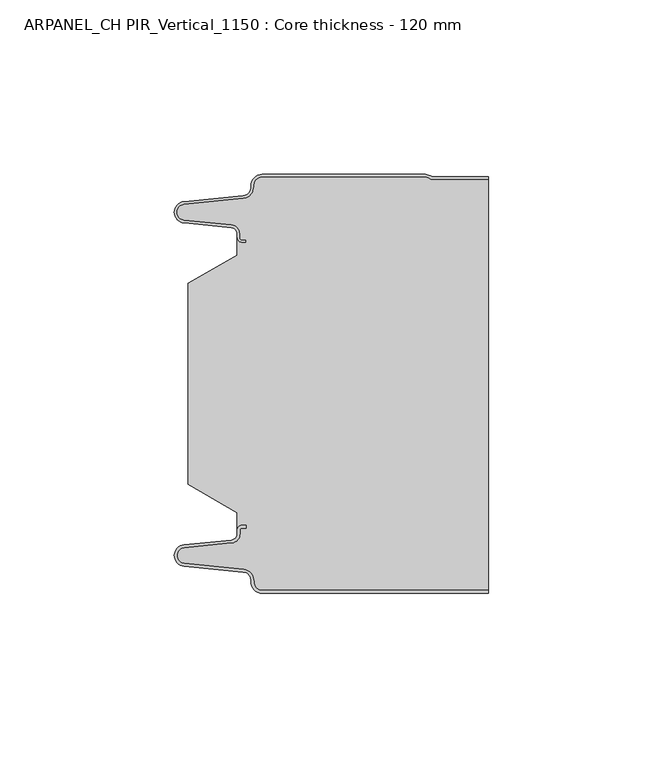
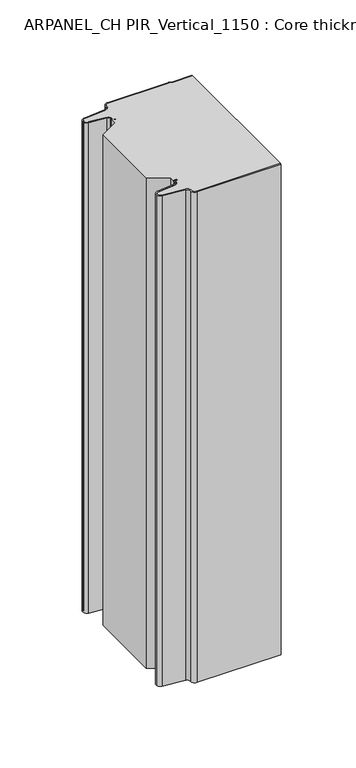
"""IFC4 building model written with IfcOpenShell, lengths in millimetres: plate geometry, ARPANEL_CH PIR_Vertical_1150 : Core thickness - 120 mm."""

from ifc_helpers import new_model, si_unit, frame, origin, place, context, project, spatial, polyline, circle_curve, source, transform, mapped, element, save
from ifc_brep_helpers import plane_surface, cylinder_surface, revolved_surface, advanced_brep


def arpanel_ch_pir_vertical_1150_core_thickness_120_mm_793c0258(model_context):
    return source(origin(), model_context, "Body", "AdvancedBrep", [
        advanced_brep(
        [(-19.8000003, -119.9996949, 0.0), (-22.9923632, -116.5787437, 0.0), (-25.2560431, -113.9171154, 0.0), (-42.2115315, -112.2546153, 0.0), (-44.9999998, -109.1776715, 0.0), (-42.2115315, -106.1007278, 0.0), (-28.6195785, -104.7680252, 0.0), (-26.9952277, -102.9766159, 0.0), (-26.9952277, -101.8996949, 0.0), (-25.5952277, -100.4996949, 0.0), (-24.4952277, -100.4996949, 0.0), (-24.4952277, -101.2996949, 0.0), (-25.5952277, -101.2996949, 0.0), (-26.1952277, -101.8996949, 0.0), (-26.1952277, -102.9766159, 0.0), (-28.5415122, -105.5642071, 0.0), (-42.1334652, -106.8969097, 0.0), (-44.1999997, -109.1776715, 0.0), (-42.1334652, -111.4584333, 0.0), (-25.1779767, -113.1209335, 0.0), (-22.2078761, -116.6330399, 0.0), (-19.8000003, -119.1996949, 0.0), (44.9999998, -119.2, 0.0), (44.9999998, -119.9996949, 0.0), (-19.8000003, -119.1996949, 400.0), (-22.1942724, -116.6339815, 400.0), (-25.1779767, -113.1209335, 400.0), (-42.1334652, -111.4584333, 400.0), (-44.1999997, -109.1776715, 400.0), (-42.1334652, -106.8969097, 400.0), (-28.5415122, -105.5642071, 400.0), (-26.1952277, -102.9766159, 400.0), (-26.1952277, -101.8996949, 400.0), (-25.5952277, -101.2996949, 400.0), (-24.4952277, -101.2996949, 400.0), (-24.4952277, -100.4996949, 400.0), (-25.5952277, -100.4996949, 400.0), (-26.9952277, -101.8996949, 400.0), (-26.9952277, -102.9766159, 400.0), (-28.6195785, -104.7680252, 400.0), (-42.2115315, -106.1007278, 400.0), (-44.9999998, -109.1776715, 400.0), (-42.2115315, -112.2546153, 400.0), (-25.2560431, -113.9171154, 400.0), (-23.0059668, -116.5778021, 400.0), (-19.8000003, -119.9996949, 400.0), (44.9999998, -119.9996949, 400.0), (44.9999998, -119.2, 400.0)],
        [
            (0, 1, circle_curve(frame((-19.8000003, -116.7996949, 0.0), z_axis=(0.0, 0.0, -1.0), x_axis=(1.0, 0.0, 0.0)), 3.2)),
            (1, 2, circle_curve(frame((-25.5000003, -116.4051839, 0.0), z_axis=(0.0, 0.0, 1.0), x_axis=(1.0, 0.0, 0.0)), 2.5)),
            (2, 3),
            (3, 4, circle_curve(frame((-41.9100003, -109.1793626, 0.0), z_axis=(0.0, 0.0, -1.0), x_axis=(1.0, 0.0, 0.0)), 3.09)),
            (4, 5, circle_curve(frame((-41.9100003, -109.1759805, 0.0), z_axis=(0.0, 0.0, -1.0), x_axis=(1.0, 0.0, 0.0)), 3.09)),
            (5, 6),
            (6, 7, circle_curve(frame((-28.7952277, -102.9766159, 0.0), z_axis=(0.0, 0.0, 1.0), x_axis=(1.0, 0.0, 0.0)), 1.8)),
            (7, 8),
            (8, 9, circle_curve(frame((-25.5952277, -101.8996949, 0.0), z_axis=(0.0, 0.0, -1.0), x_axis=(1.0, 0.0, 0.0)), 1.4)),
            (9, 10),
            (10, 11),
            (11, 12),
            (12, 13, circle_curve(frame((-25.5952277, -101.8996949, 0.0), z_axis=(0.0, 0.0, 1.0), x_axis=(1.0, 0.0, 0.0)), 0.6)),
            (13, 14),
            (14, 15, circle_curve(frame((-28.7952277, -102.9766159, 0.0), z_axis=(0.0, 0.0, -1.0), x_axis=(1.0, 0.0, 0.0)), 2.6)),
            (15, 16),
            (16, 17, circle_curve(frame((-41.9100003, -109.1759805, 0.0), z_axis=(0.0, 0.0, 1.0), x_axis=(1.0, 0.0, 0.0)), 2.29)),
            (17, 18, circle_curve(frame((-41.9100003, -109.1793626, 0.0), z_axis=(0.0, 0.0, 1.0), x_axis=(1.0, 0.0, 0.0)), 2.29)),
            (18, 19),
            (19, 20, circle_curve(frame((-25.5000003, -116.4051839, 0.0), z_axis=(0.0, 0.0, -1.0), x_axis=(1.0, 0.0, 0.0)), 3.3)),
            (20, 21, circle_curve(frame((-19.8000003, -116.7996949, 0.0), z_axis=(0.0, 0.0, 1.0), x_axis=(1.0, 0.0, 0.0)), 2.4)),
            (21, 22),
            (22, 23),
            (23, 0),
            (24, 25, circle_curve(frame((-19.8000003, -116.7996949, 400.0), z_axis=(0.0, 0.0, -1.0), x_axis=(1.0, 0.0, 0.0)), 2.4)),
            (25, 26, circle_curve(frame((-25.5000003, -116.4051839, 400.0), z_axis=(0.0, 0.0, 1.0), x_axis=(1.0, 0.0, 0.0)), 3.3)),
            (26, 27),
            (27, 28, circle_curve(frame((-41.9100003, -109.1793626, 400.0), z_axis=(0.0, 0.0, -1.0), x_axis=(1.0, 0.0, 0.0)), 2.29)),
            (28, 29, circle_curve(frame((-41.9100003, -109.1759805, 400.0), z_axis=(0.0, 0.0, -1.0), x_axis=(1.0, 0.0, 0.0)), 2.29)),
            (29, 30),
            (30, 31, circle_curve(frame((-28.7952277, -102.9766159, 400.0), z_axis=(0.0, 0.0, 1.0), x_axis=(1.0, 0.0, 0.0)), 2.6)),
            (31, 32),
            (32, 33, circle_curve(frame((-25.5952277, -101.8996949, 400.0), z_axis=(0.0, 0.0, -1.0), x_axis=(1.0, 0.0, 0.0)), 0.6)),
            (33, 34),
            (34, 35),
            (35, 36),
            (36, 37, circle_curve(frame((-25.5952277, -101.8996949, 400.0), z_axis=(0.0, 0.0, 1.0), x_axis=(1.0, 0.0, 0.0)), 1.4)),
            (37, 38),
            (38, 39, circle_curve(frame((-28.7952277, -102.9766159, 400.0), z_axis=(0.0, 0.0, -1.0), x_axis=(1.0, 0.0, 0.0)), 1.8)),
            (39, 40),
            (40, 41, circle_curve(frame((-41.9100003, -109.1759805, 400.0), z_axis=(0.0, 0.0, 1.0), x_axis=(1.0, 0.0, 0.0)), 3.09)),
            (41, 42, circle_curve(frame((-41.9100003, -109.1793626, 400.0), z_axis=(0.0, 0.0, 1.0), x_axis=(1.0, 0.0, 0.0)), 3.09)),
            (42, 43),
            (43, 44, circle_curve(frame((-25.5000003, -116.4051839, 400.0), z_axis=(0.0, 0.0, -1.0), x_axis=(1.0, 0.0, 0.0)), 2.5)),
            (44, 45, circle_curve(frame((-19.8000003, -116.7996949, 400.0), z_axis=(0.0, 0.0, 1.0), x_axis=(1.0, 0.0, 0.0)), 3.2)),
            (45, 46),
            (46, 47),
            (47, 24),
            (21, 24),
            (47, 22),
            (20, 25),
            (19, 26),
            (18, 27),
            (17, 28),
            (16, 29),
            (15, 30),
            (14, 31),
            (13, 32),
            (12, 33),
            (11, 34),
            (10, 35),
            (9, 36),
            (8, 37),
            (7, 38),
            (6, 39),
            (5, 40),
            (4, 41),
            (3, 42),
            (2, 43),
            (1, 44),
            (0, 45),
            (23, 46),
        ],
        [
            plane_surface(frame((-44.9999998, -120.0, 0.0), z_axis=(0.0, 0.0, -1.0), x_axis=(0.0, 1.0, 0.0))),
            plane_surface(frame((-44.9999998, -120.0, 400.0), z_axis=(0.0, 0.0, 1.0), x_axis=(0.0, 1.0, 0.0))),
            plane_surface(frame((-19.8000003, -119.2, 0.0), z_axis=(0.0, 1.0, 0.0), x_axis=(0.0, 0.0, 1.0))),
            revolved_surface(polyline([(-17.400000300000002, -116.7996949, 400.0), (-17.400000300000002, -116.7996949, 0.0)]), (-19.8000003, -116.7996949, 0.0), (0.0, 0.0, 1.0)),
            cylinder_surface(frame((-25.5000003, -116.4051839, 0.0), z_axis=(0.0, 0.0, -1.0), x_axis=(1.0, 0.0, 0.0)), 3.3),
            plane_surface(frame((-42.1334652, -111.4584333, 0.0), z_axis=(0.09758289975914758, 0.9952273999818314, 0.0), x_axis=(0.0, 0.0, 1.0))),
            revolved_surface(polyline([(-39.6200003, -109.1793626, 400.0), (-39.6200003, -109.1793626, 0.0)]), (-41.9100003, -109.1793626, 0.0), (0.0, 0.0, 1.0)),
            revolved_surface(polyline([(-39.6200003, -109.1759805, 400.0), (-39.6200003, -109.1759805, 0.0)]), (-41.9100003, -109.1759805, 0.0), (0.0, 0.0, 1.0)),
            plane_surface(frame((-28.5415122, -105.5642071, 0.0), z_axis=(0.09758289975914383, -0.9952273999818317, 0.0), x_axis=(0.0, 0.0, 1.0))),
            cylinder_surface(frame((-28.7952277, -102.9766159, 0.0), z_axis=(0.0, 0.0, -1.0), x_axis=(1.0, 0.0, 0.0)), 2.6),
            plane_surface(frame((-26.1952277, -101.8996949, 0.0), z_axis=(1.0, 0.0, 0.0), x_axis=(0.0, 0.0, 1.0))),
            revolved_surface(polyline([(-24.995227699999997, -101.8996949, 400.0), (-24.995227699999997, -101.8996949, 0.0)]), (-25.5952277, -101.8996949, 0.0), (0.0, 0.0, 1.0)),
            plane_surface(frame((-24.4952277, -101.2996949, 0.0), z_axis=(0.0, -1.0, 0.0), x_axis=(0.0, 0.0, 1.0))),
            plane_surface(frame((-24.4952277, -100.4996949, 0.0), z_axis=(1.0, 0.0, 0.0), x_axis=(0.0, 0.0, 1.0))),
            plane_surface(frame((-25.5952277, -100.4996949, 0.0), z_axis=(0.0, 1.0, 0.0), x_axis=(0.0, 0.0, 1.0))),
            cylinder_surface(frame((-25.5952277, -101.8996949, 0.0), z_axis=(0.0, 0.0, -1.0), x_axis=(1.0, 0.0, 0.0)), 1.4),
            plane_surface(frame((-26.9952277, -102.9766159, 0.0), z_axis=(-1.0, 0.0, 0.0), x_axis=(0.0, 0.0, 1.0))),
            revolved_surface(polyline([(-26.9952277, -102.9766159, 400.0), (-26.9952277, -102.9766159, 0.0)]), (-28.7952277, -102.9766159, 0.0), (0.0, 0.0, 1.0)),
            plane_surface(frame((-42.2115315, -106.1007278, 0.0), z_axis=(-0.09758289975914387, 0.9952273999818317, 0.0), x_axis=(0.0, 0.0, 1.0))),
            cylinder_surface(frame((-41.9100003, -109.1759805, 0.0), z_axis=(0.0, 0.0, -1.0), x_axis=(1.0, 0.0, 0.0)), 3.09),
            cylinder_surface(frame((-41.9100003, -109.1793626, 0.0), z_axis=(0.0, 0.0, -1.0), x_axis=(1.0, 0.0, 0.0)), 3.09),
            plane_surface(frame((-25.2560431, -113.9171154, 0.0), z_axis=(-0.09758289975914762, -0.9952273999818314, 0.0), x_axis=(0.0, 0.0, 1.0))),
            revolved_surface(polyline([(-23.0000003, -116.4051839, 400.0), (-23.0000003, -116.4051839, 0.0)]), (-25.5000003, -116.4051839, 0.0), (0.0, 0.0, 1.0)),
            cylinder_surface(frame((-19.8000003, -116.7996949, 0.0), z_axis=(0.0, 0.0, -1.0), x_axis=(1.0, 0.0, 0.0)), 3.2),
            plane_surface(frame((1121.009932, -119.9996949, 0.0), z_axis=(0.0, -1.0, 0.0), x_axis=(0.0, 0.0, 1.0))),
            plane_surface(frame((44.9999998, 180.0, 400.0), z_axis=(1.0, 0.0, 0.0), x_axis=(0.0, 0.0, -1.0))),
        ],
        [
            (0, [[1, 2, 3, 4, 5, 6, 7, 8, 9, 10, 11, 12, 13, 14, 15, 16, 17, 18, 19, 20, 21, 22, 23, 24]]),
            (1, [[25, 26, 27, 28, 29, 30, 31, 32, 33, 34, 35, 36, 37, 38, 39, 40, 41, 42, 43, 44, 45, 46, 47, 48]]),
            (2, [[49, -48, 50, -22]]),
            (3, [[-21, 51, -25, -49]]),
            (4, [[-20, 52, -26, -51]]),
            (5, [[-19, 53, -27, -52]]),
            (6, [[-18, 54, -28, -53]]),
            (7, [[-17, 55, -29, -54]]),
            (8, [[-16, 56, -30, -55]]),
            (9, [[-15, 57, -31, -56]]),
            (10, [[-14, 58, -32, -57]]),
            (11, [[-13, 59, -33, -58]]),
            (12, [[-12, 60, -34, -59]]),
            (13, [[-11, 61, -35, -60]]),
            (14, [[-10, 62, -36, -61]]),
            (15, [[-9, 63, -37, -62]]),
            (16, [[-8, 64, -38, -63]]),
            (17, [[-7, 65, -39, -64]]),
            (18, [[-6, 66, -40, -65]]),
            (19, [[-5, 67, -41, -66]]),
            (20, [[-4, 68, -42, -67]]),
            (21, [[-3, 69, -43, -68]]),
            (22, [[-2, 70, -44, -69]]),
            (23, [[-1, 71, -45, -70]]),
            (24, [[-71, -24, 72, -46]]),
            (25, [[-23, -50, -47, -72]]),
        ],
    ),
        advanced_brep(
        [(-26.9952277, -23.1062917, 400.0), (-41.0446509, -31.1628062, 400.0), (-41.0446509, -88.7531937, 400.0), (-26.9952277, -96.8937083, 400.0), (-26.9952277, -100.4996949, 400.0), (-26.9952277, -101.8996949, 400.0), (-25.5952277, -100.4996949, 400.0), (-24.4952277, -100.4996949, 400.0), (-24.4952277, -101.2996949, 400.0), (-25.5952277, -101.2996949, 400.0), (-26.1952277, -101.8996949, 400.0), (-26.1952277, -102.9766159, 400.0), (-28.5415122, -105.5642071, 400.0), (-42.1334652, -106.8969097, 400.0), (-44.1999997, -109.1776715, 400.0), (-42.1334652, -111.4584333, 400.0), (-25.1779767, -113.1209335, 400.0), (-22.2078761, -116.6330399, 400.0), (-19.8000003, -119.1996949, 400.0), (44.9999998, -119.2, 400.0), (44.9999998, -1.5003051, 400.0), (29.4172165, -1.5003051, 400.0), (27.9978051, -1.0971009, 400.0), (26.9454197, -0.8, 400.0), (-19.8000003, -0.8, 400.0), (-22.1942724, -3.3660185, 400.0), (-25.1779767, -6.8790665, 400.0), (-42.1334652, -8.5415667, 400.0), (-44.1999997, -10.8223285, 400.0), (-42.1334652, -13.1030903, 400.0), (-28.5415122, -14.4357929, 400.0), (-26.1952277, -17.0233841, 400.0), (-26.1952277, -18.1003051, 400.0), (-25.5952277, -18.7003051, 400.0), (-24.4952277, -18.7003051, 400.0), (-24.4952277, -19.5003051, 400.0), (-25.5952277, -19.5003051, 400.0), (-26.9952277, -18.1003051, 400.0), (-26.9952277, -19.5003051, 400.0), (-26.9952277, -96.8937083, 0.0), (-41.0446509, -88.7531937, 0.0), (-41.0446509, -31.1628062, 0.0), (-26.9952277, -23.1062917, 0.0), (-26.9952277, -19.5003051, 0.0), (-26.9952277, -18.1003051, 0.0), (-25.5952277, -19.5003051, 0.0), (-24.4952277, -19.5003051, 0.0), (-24.4952277, -18.7003051, 0.0), (-25.5952277, -18.7003051, 0.0), (-26.1952277, -18.1003051, 0.0), (-26.1952277, -17.0233841, 0.0), (-28.5415122, -14.4357929, 0.0), (-42.1334652, -13.1030903, 0.0), (-44.1999997, -10.8223285, 0.0), (-42.1334652, -8.5415667, 0.0), (-25.1779767, -6.8790665, 0.0), (-22.2078761, -3.3669601, 0.0), (-19.8000003, -0.8003051, 0.0), (26.9454197, -0.8, 0.0), (27.9968355, -1.0986697, 0.0), (29.4172165, -1.5003051, 0.0), (44.9999998, -1.5003051, 0.0), (44.9999998, -119.2, 0.0), (-19.8000003, -119.2, 0.0), (-22.1942724, -116.6339815, 0.0), (-25.1779767, -113.1209335, 0.0), (-42.1334652, -111.4584333, 0.0), (-44.1999997, -109.1776715, 0.0), (-42.1334652, -106.8969097, 0.0), (-28.5415122, -105.5642071, 0.0), (-26.1952277, -102.9766159, 0.0), (-26.1952277, -101.8996949, 0.0), (-25.5952277, -101.2996949, 0.0), (-24.4952277, -101.2996949, 0.0), (-24.4952277, -100.4996949, 0.0), (-25.5952277, -100.4996949, 0.0), (-26.9952277, -101.8996949, 0.0), (-26.9952277, -100.4996949, 0.0)],
        [
            (0, 1),
            (1, 2),
            (2, 3),
            (3, 4),
            (4, 5),
            (5, 6, circle_curve(frame((-25.5952277, -101.8996949, 400.0), z_axis=(0.0, 0.0, -1.0), x_axis=(1.0, 0.0, 0.0)), 1.4)),
            (6, 7),
            (7, 8),
            (8, 9),
            (9, 10, circle_curve(frame((-25.5952277, -101.8996949, 400.0), z_axis=(0.0, 0.0, 1.0), x_axis=(1.0, 0.0, 0.0)), 0.6)),
            (10, 11),
            (11, 12, circle_curve(frame((-28.7952277, -102.9766159, 400.0), z_axis=(0.0, 0.0, -1.0), x_axis=(1.0, 0.0, 0.0)), 2.6)),
            (12, 13),
            (13, 14, circle_curve(frame((-41.9100003, -109.1759805, 400.0), z_axis=(0.0, 0.0, 1.0), x_axis=(1.0, 0.0, 0.0)), 2.29)),
            (14, 15, circle_curve(frame((-41.9100003, -109.1793626, 400.0), z_axis=(0.0, 0.0, 1.0), x_axis=(1.0, 0.0, 0.0)), 2.29)),
            (15, 16),
            (16, 17, circle_curve(frame((-25.5000003, -116.4051839, 400.0), z_axis=(0.0, 0.0, -1.0), x_axis=(1.0, 0.0, 0.0)), 3.3)),
            (17, 18, circle_curve(frame((-19.8000003, -116.7996949, 400.0), z_axis=(0.0, 0.0, 1.0), x_axis=(1.0, 0.0, 0.0)), 2.4)),
            (18, 19),
            (19, 20),
            (20, 21),
            (21, 22, circle_curve(frame((29.4172165, 1.1996949, 400.0), z_axis=(0.0, 0.0, -1.0), x_axis=(1.0, 0.0, 0.0)), 2.7)),
            (22, 23, circle_curve(frame((26.9454197, -2.8, 400.0), z_axis=(0.0, 0.0, 1.0), x_axis=(1.0, 0.0, 0.0)), 2.0)),
            (23, 24),
            (24, 25, circle_curve(frame((-19.8000003, -3.2003051, 400.0), z_axis=(0.0, 0.0, 1.0), x_axis=(1.0, 0.0, 0.0)), 2.4)),
            (25, 26, circle_curve(frame((-25.5000003, -3.5948161, 400.0), z_axis=(0.0, 0.0, -1.0), x_axis=(1.0, 0.0, 0.0)), 3.3)),
            (26, 27),
            (27, 28, circle_curve(frame((-41.9100003, -10.8206374, 400.0), z_axis=(0.0, 0.0, 1.0), x_axis=(1.0, 0.0, 0.0)), 2.29)),
            (28, 29, circle_curve(frame((-41.9100003, -10.8240195, 400.0), z_axis=(0.0, 0.0, 1.0), x_axis=(1.0, 0.0, 0.0)), 2.29)),
            (29, 30),
            (30, 31, circle_curve(frame((-28.7952277, -17.0233841, 400.0), z_axis=(0.0, 0.0, -1.0), x_axis=(1.0, 0.0, 0.0)), 2.6)),
            (31, 32),
            (32, 33, circle_curve(frame((-25.5952277, -18.1003051, 400.0), z_axis=(0.0, 0.0, 1.0), x_axis=(1.0, 0.0, 0.0)), 0.6)),
            (33, 34),
            (34, 35),
            (35, 36),
            (36, 37, circle_curve(frame((-25.5952277, -18.1003051, 400.0), z_axis=(0.0, 0.0, -1.0), x_axis=(1.0, 0.0, 0.0)), 1.4)),
            (37, 38),
            (38, 0),
            (39, 40),
            (40, 41),
            (41, 42),
            (42, 43),
            (43, 44),
            (44, 45, circle_curve(frame((-25.5952277, -18.1003051, 0.0), z_axis=(0.0, 0.0, 1.0), x_axis=(1.0, 0.0, 0.0)), 1.4)),
            (45, 46),
            (46, 47),
            (47, 48),
            (48, 49, circle_curve(frame((-25.5952277, -18.1003051, 0.0), z_axis=(0.0, 0.0, -1.0), x_axis=(1.0, 0.0, 0.0)), 0.6)),
            (49, 50),
            (50, 51, circle_curve(frame((-28.7952277, -17.0233841, 0.0), z_axis=(0.0, 0.0, 1.0), x_axis=(1.0, 0.0, 0.0)), 2.6)),
            (51, 52),
            (52, 53, circle_curve(frame((-41.9100003, -10.8240195, 0.0), z_axis=(0.0, 0.0, -1.0), x_axis=(1.0, 0.0, 0.0)), 2.29)),
            (53, 54, circle_curve(frame((-41.9100003, -10.8206374, 0.0), z_axis=(0.0, 0.0, -1.0), x_axis=(1.0, 0.0, 0.0)), 2.29)),
            (54, 55),
            (55, 56, circle_curve(frame((-25.5000003, -3.5948161, 0.0), z_axis=(0.0, 0.0, 1.0), x_axis=(1.0, 0.0, 0.0)), 3.3)),
            (56, 57, circle_curve(frame((-19.8000003, -3.2003051, 0.0), z_axis=(0.0, 0.0, -1.0), x_axis=(1.0, 0.0, 0.0)), 2.4)),
            (57, 58),
            (58, 59, circle_curve(frame((26.9454197, -2.8, 0.0), z_axis=(0.0, 0.0, -1.0), x_axis=(1.0, 0.0, 0.0)), 2.0)),
            (59, 60, circle_curve(frame((29.4172165, 1.1996949, 0.0), z_axis=(0.0, 0.0, 1.0), x_axis=(1.0, 0.0, 0.0)), 2.7)),
            (60, 61),
            (61, 62),
            (62, 63),
            (63, 64, circle_curve(frame((-19.8000003, -116.7996949, 0.0), z_axis=(0.0, 0.0, -1.0), x_axis=(1.0, 0.0, 0.0)), 2.4)),
            (64, 65, circle_curve(frame((-25.5000003, -116.4051839, 0.0), z_axis=(0.0, 0.0, 1.0), x_axis=(1.0, 0.0, 0.0)), 3.3)),
            (65, 66),
            (66, 67, circle_curve(frame((-41.9100003, -109.1793626, 0.0), z_axis=(0.0, 0.0, -1.0), x_axis=(1.0, 0.0, 0.0)), 2.29)),
            (67, 68, circle_curve(frame((-41.9100003, -109.1759805, 0.0), z_axis=(0.0, 0.0, -1.0), x_axis=(1.0, 0.0, 0.0)), 2.29)),
            (68, 69),
            (69, 70, circle_curve(frame((-28.7952277, -102.9766159, 0.0), z_axis=(0.0, 0.0, 1.0), x_axis=(1.0, 0.0, 0.0)), 2.6)),
            (70, 71),
            (71, 72, circle_curve(frame((-25.5952277, -101.8996949, 0.0), z_axis=(0.0, 0.0, -1.0), x_axis=(1.0, 0.0, 0.0)), 0.6)),
            (72, 73),
            (73, 74),
            (74, 75),
            (75, 76, circle_curve(frame((-25.5952277, -101.8996949, 0.0), z_axis=(0.0, 0.0, 1.0), x_axis=(1.0, 0.0, 0.0)), 1.4)),
            (76, 77),
            (77, 39),
            (42, 0),
            (37, 44),
            (1, 41),
            (40, 2),
            (39, 3),
            (76, 5),
            (18, 63),
            (62, 19),
            (17, 64),
            (16, 65),
            (15, 66),
            (14, 67),
            (13, 68),
            (12, 69),
            (11, 70),
            (10, 71),
            (9, 72),
            (8, 73),
            (7, 74),
            (6, 75),
            (57, 24),
            (23, 58),
            (22, 59),
            (21, 60),
            (20, 61),
            (36, 45),
            (35, 46),
            (34, 47),
            (33, 48),
            (32, 49),
            (31, 50),
            (30, 51),
            (29, 52),
            (28, 53),
            (27, 54),
            (26, 55),
            (25, 56),
        ],
        [
            plane_surface(frame((-44.9999998, 0.0, 400.0), z_axis=(0.0, 0.0, 1.0), x_axis=(0.0, -1.0, 0.0))),
            plane_surface(frame((-44.9999998, 0.0, 0.0), z_axis=(0.0, 0.0, -1.0), x_axis=(0.0, -1.0, 0.0))),
            plane_surface(frame((-26.9952277, -17.0229218, 400.0), z_axis=(-1.0, 0.0, 0.0), x_axis=(0.0, 0.0, -1.0))),
            plane_surface(frame((-41.0446509, -31.1628062, 400.0), z_axis=(-1.0, 0.0, 0.0), x_axis=(0.0, 0.0, -1.0))),
            plane_surface(frame((-26.9952277, -23.1062917, 400.0), z_axis=(-0.4974543664933155, 0.8674901459133322, 0.0), x_axis=(0.0, 0.0, -1.0))),
            plane_surface(frame((-41.0446509, -88.7531937, 400.0), z_axis=(-0.5013424225369615, -0.8652489672717159, 0.0), x_axis=(0.0, 0.0, -1.0))),
            plane_surface(frame((-26.9952277, -96.8937083, 400.0), z_axis=(-1.0, 0.0, 0.0), x_axis=(0.0, 0.0, -1.0))),
            plane_surface(frame((1121.009932, -119.2, 530.0), z_axis=(0.0, -1.0, 0.0), x_axis=(0.0, 0.0, -1.0))),
            cylinder_surface(frame((-19.8000003, -116.7996949, 530.0), z_axis=(0.0, 0.0, -1.0), x_axis=(1.0, 0.0, 0.0)), 2.4),
            revolved_surface(polyline([(-22.2000003, -116.4051839, 400.0), (-22.2000003, -116.4051839, 0.0)]), (-25.5000003, -116.4051839, 530.0), (0.0, 0.0, 1.0)),
            plane_surface(frame((-25.1779767, -113.1209335, 530.0), z_axis=(-0.09758289975914758, -0.9952273999818314, 0.0), x_axis=(0.0, 0.0, -1.0))),
            cylinder_surface(frame((-41.9100003, -109.1793626, 530.0), z_axis=(0.0, 0.0, -1.0), x_axis=(1.0, 0.0, 0.0)), 2.29),
            cylinder_surface(frame((-41.9100003, -109.1759805, 530.0), z_axis=(0.0, 0.0, -1.0), x_axis=(1.0, 0.0, 0.0)), 2.29),
            plane_surface(frame((-42.1334652, -106.8969097, 530.0), z_axis=(-0.09758289975914383, 0.9952273999818317, 0.0), x_axis=(0.0, 0.0, -1.0))),
            revolved_surface(polyline([(-26.1952277, -102.9766159, 400.0), (-26.1952277, -102.9766159, 0.0)]), (-28.7952277, -102.9766159, 530.0), (0.0, 0.0, 1.0)),
            plane_surface(frame((-26.1952277, -102.9766159, 530.0), z_axis=(-1.0, 0.0, 0.0), x_axis=(0.0, 0.0, -1.0))),
            cylinder_surface(frame((-25.5952277, -101.8996949, 530.0), z_axis=(0.0, 0.0, -1.0), x_axis=(1.0, 0.0, 0.0)), 0.6),
            plane_surface(frame((-25.5952277, -101.2996949, 530.0), z_axis=(0.0, 1.0, 0.0), x_axis=(0.0, 0.0, -1.0))),
            plane_surface(frame((-24.4952277, -101.2996949, 530.0), z_axis=(-1.0, 0.0, 0.0), x_axis=(0.0, 0.0, -1.0))),
            plane_surface(frame((-24.4952277, -100.4996949, 530.0), z_axis=(0.0, -1.0, 0.0), x_axis=(0.0, 0.0, -1.0))),
            revolved_surface(polyline([(-24.1952277, -101.8996949, 400.0), (-24.1952277, -101.8996949, 0.0)]), (-25.5952277, -101.8996949, 530.0), (0.0, 0.0, 1.0)),
            plane_surface(frame((-19.8000003, -0.8, 530.0), z_axis=(0.0, 1.0, 0.0), x_axis=(0.0, 0.0, -1.0))),
            cylinder_surface(frame((26.9454197, -2.8, 530.0), z_axis=(0.0, 0.0, -1.0), x_axis=(1.0, 0.0, 0.0)), 2.0),
            revolved_surface(polyline([(32.1172165, 1.1996949, 400.0), (32.1172165, 1.1996949, 0.0)]), (29.4172165, 1.1996949, 530.0), (0.0, 0.0, 1.0)),
            plane_surface(frame((29.4172165, -1.5003051, 530.0), z_axis=(0.0, 1.0, 0.0), x_axis=(0.0, 0.0, -1.0))),
            revolved_surface(polyline([(-24.1952277, -18.1003051, 400.0), (-24.1952277, -18.1003051, 0.0)]), (-25.5952277, -18.1003051, 530.0), (0.0, 0.0, 1.0)),
            plane_surface(frame((-25.5952277, -19.5003051, 530.0), z_axis=(0.0, 1.0, 0.0), x_axis=(0.0, 0.0, -1.0))),
            plane_surface(frame((-24.4952277, -19.5003051, 530.0), z_axis=(-1.0, 0.0, 0.0), x_axis=(0.0, 0.0, -1.0))),
            plane_surface(frame((-24.4952277, -18.7003051, 530.0), z_axis=(0.0, -1.0, 0.0), x_axis=(0.0, 0.0, -1.0))),
            cylinder_surface(frame((-25.5952277, -18.1003051, 530.0), z_axis=(0.0, 0.0, -1.0), x_axis=(1.0, 0.0, 0.0)), 0.6),
            plane_surface(frame((-26.1952277, -18.1003051, 530.0), z_axis=(-1.0, 0.0, 0.0), x_axis=(0.0, 0.0, -1.0))),
            revolved_surface(polyline([(-26.1952277, -17.0233841, 400.0), (-26.1952277, -17.0233841, 0.0)]), (-28.7952277, -17.0233841, 530.0), (0.0, 0.0, 1.0)),
            plane_surface(frame((-28.5415122, -14.4357929, 530.0), z_axis=(-0.09758289975914705, -0.9952273999818314, 0.0), x_axis=(0.0, 0.0, -1.0))),
            cylinder_surface(frame((-41.9100003, -10.8240195, 530.0), z_axis=(0.0, 0.0, -1.0), x_axis=(1.0, 0.0, 0.0)), 2.29),
            cylinder_surface(frame((-41.9100003, -10.8206374, 530.0), z_axis=(0.0, 0.0, -1.0), x_axis=(1.0, 0.0, 0.0)), 2.29),
            plane_surface(frame((-42.1334652, -8.5415667, 530.0), z_axis=(-0.09758289975914436, 0.9952273999818317, 0.0), x_axis=(0.0, 0.0, -1.0))),
            revolved_surface(polyline([(-22.2000003, -3.5948161, 400.0), (-22.2000003, -3.5948161, 0.0)]), (-25.5000003, -3.5948161, 530.0), (0.0, 0.0, 1.0)),
            cylinder_surface(frame((-19.8000003, -3.2003051, 530.0), z_axis=(0.0, 0.0, -1.0), x_axis=(1.0, 0.0, 0.0)), 2.4),
            plane_surface(frame((44.9999998, 180.0, 400.0), z_axis=(1.0, 0.0, 0.0), x_axis=(0.0, 0.0, -1.0))),
        ],
        [
            (0, [[1, 2, 3, 4, 5, 6, 7, 8, 9, 10, 11, 12, 13, 14, 15, 16, 17, 18, 19, 20, 21, 22, 23, 24, 25, 26, 27, 28, 29, 30, 31, 32, 33, 34, 35, 36, 37, 38, 39]]),
            (1, [[40, 41, 42, 43, 44, 45, 46, 47, 48, 49, 50, 51, 52, 53, 54, 55, 56, 57, 58, 59, 60, 61, 62, 63, 64, 65, 66, 67, 68, 69, 70, 71, 72, 73, 74, 75, 76, 77, 78]]),
            (2, [[79, -39, -38, 80, -44, -43]]),
            (3, [[-2, 81, -41, 82]]),
            (4, [[-1, -79, -42, -81]]),
            (5, [[-3, -82, -40, 83]]),
            (6, [[-83, -78, -77, 84, -5, -4]]),
            (7, [[85, -63, 86, -19]]),
            (8, [[-85, -18, 87, -64]]),
            (9, [[-87, -17, 88, -65]]),
            (10, [[-88, -16, 89, -66]]),
            (11, [[-89, -15, 90, -67]]),
            (12, [[-90, -14, 91, -68]]),
            (13, [[-91, -13, 92, -69]]),
            (14, [[-92, -12, 93, -70]]),
            (15, [[-93, -11, 94, -71]]),
            (16, [[-94, -10, 95, -72]]),
            (17, [[-95, -9, 96, -73]]),
            (18, [[-96, -8, 97, -74]]),
            (19, [[-97, -7, 98, -75]]),
            (20, [[-98, -6, -84, -76]]),
            (21, [[99, -24, 100, -58]]),
            (22, [[-100, -23, 101, -59]]),
            (23, [[-101, -22, 102, -60]]),
            (24, [[-102, -21, 103, -61]]),
            (25, [[104, -45, -80, -37]]),
            (26, [[-104, -36, 105, -46]]),
            (27, [[-105, -35, 106, -47]]),
            (28, [[-106, -34, 107, -48]]),
            (29, [[-107, -33, 108, -49]]),
            (30, [[-108, -32, 109, -50]]),
            (31, [[-109, -31, 110, -51]]),
            (32, [[-110, -30, 111, -52]]),
            (33, [[-111, -29, 112, -53]]),
            (34, [[-112, -28, 113, -54]]),
            (35, [[-113, -27, 114, -55]]),
            (36, [[-114, -26, 115, -56]]),
            (37, [[-99, -57, -115, -25]]),
            (38, [[-86, -62, -103, -20]]),
        ],
    ),
        advanced_brep(
        [(27.9968355, -1.0986697, 0.0), (26.9454197, -0.8, 0.0), (-19.8000003, -0.8, 0.0), (-22.1942724, -3.3660185, 0.0), (-25.1779767, -6.8790665, 0.0), (-42.1334652, -8.5415667, 0.0), (-44.1999997, -10.8223285, 0.0), (-42.1334652, -13.1030903, 0.0), (-28.5415122, -14.4357929, 0.0), (-26.1952277, -17.0233841, 0.0), (-26.1952277, -18.1003051, 0.0), (-25.5952277, -18.7003051, 0.0), (-24.4952277, -18.7003051, 0.0), (-24.4952277, -19.5003051, 0.0), (-25.5952277, -19.5003051, 0.0), (-26.9952277, -18.1003051, 0.0), (-26.9952277, -17.0233841, 0.0), (-28.6195785, -15.2319748, 0.0), (-42.2115315, -13.8992722, 0.0), (-44.9999998, -10.8223285, 0.0), (-42.2115315, -7.7453847, 0.0), (-25.2560431, -6.0828846, 0.0), (-23.0059668, -3.4221979, 0.0), (-19.8000003, -0.0003051, 0.0), (26.9454197, -0.0003051, 0.0), (28.3647528, -0.4034608, 0.0), (29.4172165, -0.7003051, 0.0), (44.9999998, -0.7003051, 0.0), (44.9999998, -1.5003051, 0.0), (29.4172165, -1.5003051, 0.0), (27.9978051, -1.0971009, 400.0), (29.4172165, -1.5003051, 400.0), (44.9999998, -1.5003051, 400.0), (44.9999998, -0.7003051, 400.0), (29.4172165, -0.7003051, 400.0), (28.3658586, -0.4016712, 400.0), (26.9454197, -0.0003051, 400.0), (-19.8000003, -0.0003051, 400.0), (-22.9923632, -3.4212563, 400.0), (-25.2560431, -6.0828846, 400.0), (-42.2115315, -7.7453847, 400.0), (-44.9999998, -10.8223285, 400.0), (-42.2115315, -13.8992722, 400.0), (-28.6195785, -15.2319748, 400.0), (-26.9952277, -17.0233841, 400.0), (-26.9952277, -18.1003051, 400.0), (-25.5952277, -19.5003051, 400.0), (-24.4952277, -19.5003051, 400.0), (-24.4952277, -18.7003051, 400.0), (-25.5952277, -18.7003051, 400.0), (-26.1952277, -18.1003051, 400.0), (-26.1952277, -17.0233841, 400.0), (-28.5415122, -14.4357929, 400.0), (-42.1334652, -13.1030903, 400.0), (-44.1999997, -10.8223285, 400.0), (-42.1334652, -8.5415667, 400.0), (-25.1779767, -6.8790665, 400.0), (-22.2078761, -3.3669601, 400.0), (-19.8000003, -0.8003051, 400.0), (26.9454197, -0.8, 400.0)],
        [
            (0, 1, circle_curve(frame((26.9454197, -2.8, 0.0), z_axis=(0.0, 0.0, 1.0), x_axis=(1.0, 0.0, 0.0)), 2.0)),
            (1, 2),
            (2, 3, circle_curve(frame((-19.8000003, -3.2003051, 0.0), z_axis=(0.0, 0.0, 1.0), x_axis=(1.0, 0.0, 0.0)), 2.4)),
            (3, 4, circle_curve(frame((-25.5000003, -3.5948161, 0.0), z_axis=(0.0, 0.0, -1.0), x_axis=(1.0, 0.0, 0.0)), 3.3)),
            (4, 5),
            (5, 6, circle_curve(frame((-41.9100003, -10.8206374, 0.0), z_axis=(0.0, 0.0, 1.0), x_axis=(1.0, 0.0, 0.0)), 2.29)),
            (6, 7, circle_curve(frame((-41.9100003, -10.8240195, 0.0), z_axis=(0.0, 0.0, 1.0), x_axis=(1.0, 0.0, 0.0)), 2.29)),
            (7, 8),
            (8, 9, circle_curve(frame((-28.7952277, -17.0233841, 0.0), z_axis=(0.0, 0.0, -1.0), x_axis=(1.0, 0.0, 0.0)), 2.6)),
            (9, 10),
            (10, 11, circle_curve(frame((-25.5952277, -18.1003051, 0.0), z_axis=(0.0, 0.0, 1.0), x_axis=(1.0, 0.0, 0.0)), 0.6)),
            (11, 12),
            (12, 13),
            (13, 14),
            (14, 15, circle_curve(frame((-25.5952277, -18.1003051, 0.0), z_axis=(0.0, 0.0, -1.0), x_axis=(1.0, 0.0, 0.0)), 1.4)),
            (15, 16),
            (16, 17, circle_curve(frame((-28.7952277, -17.0233841, 0.0), z_axis=(0.0, 0.0, 1.0), x_axis=(1.0, 0.0, 0.0)), 1.8)),
            (17, 18),
            (18, 19, circle_curve(frame((-41.9100003, -10.8240195, 0.0), z_axis=(0.0, 0.0, -1.0), x_axis=(1.0, 0.0, 0.0)), 3.09)),
            (19, 20, circle_curve(frame((-41.9100003, -10.8206374, 0.0), z_axis=(0.0, 0.0, -1.0), x_axis=(1.0, 0.0, 0.0)), 3.09)),
            (20, 21),
            (21, 22, circle_curve(frame((-25.5000003, -3.5948161, 0.0), z_axis=(0.0, 0.0, 1.0), x_axis=(1.0, 0.0, 0.0)), 2.5)),
            (22, 23, circle_curve(frame((-19.8000003, -3.2003051, 0.0), z_axis=(0.0, 0.0, -1.0), x_axis=(1.0, 0.0, 0.0)), 3.2)),
            (23, 24),
            (24, 25, circle_curve(frame((26.9454197, -2.7003051, 0.0), z_axis=(0.0, 0.0, -1.0), x_axis=(1.0, 0.0, 0.0)), 2.7)),
            (25, 26, circle_curve(frame((29.4172165, 1.2996949, 0.0), z_axis=(0.0, 0.0, 1.0), x_axis=(1.0, 0.0, 0.0)), 2.0)),
            (26, 27),
            (27, 28),
            (28, 29),
            (29, 0, circle_curve(frame((29.4172165, 1.1996949, 0.0), z_axis=(0.0, 0.0, -1.0), x_axis=(1.0, 0.0, 0.0)), 2.7)),
            (30, 31, circle_curve(frame((29.4172165, 1.1996949, 400.0), z_axis=(0.0, 0.0, 1.0), x_axis=(1.0, 0.0, 0.0)), 2.7)),
            (31, 32),
            (32, 33),
            (33, 34),
            (34, 35, circle_curve(frame((29.4172165, 1.2996949, 400.0), z_axis=(0.0, 0.0, -1.0), x_axis=(1.0, 0.0, 0.0)), 2.0)),
            (35, 36, circle_curve(frame((26.9454197, -2.7003051, 400.0), z_axis=(0.0, 0.0, 1.0), x_axis=(1.0, 0.0, 0.0)), 2.7)),
            (36, 37),
            (37, 38, circle_curve(frame((-19.8000003, -3.2003051, 400.0), z_axis=(0.0, 0.0, 1.0), x_axis=(1.0, 0.0, 0.0)), 3.2)),
            (38, 39, circle_curve(frame((-25.5000003, -3.5948161, 400.0), z_axis=(0.0, 0.0, -1.0), x_axis=(1.0, 0.0, 0.0)), 2.5)),
            (39, 40),
            (40, 41, circle_curve(frame((-41.9100003, -10.8206374, 400.0), z_axis=(0.0, 0.0, 1.0), x_axis=(1.0, 0.0, 0.0)), 3.09)),
            (41, 42, circle_curve(frame((-41.9100003, -10.8240195, 400.0), z_axis=(0.0, 0.0, 1.0), x_axis=(1.0, 0.0, 0.0)), 3.09)),
            (42, 43),
            (43, 44, circle_curve(frame((-28.7952277, -17.0233841, 400.0), z_axis=(0.0, 0.0, -1.0), x_axis=(1.0, 0.0, 0.0)), 1.8)),
            (44, 45),
            (45, 46, circle_curve(frame((-25.5952277, -18.1003051, 400.0), z_axis=(0.0, 0.0, 1.0), x_axis=(1.0, 0.0, 0.0)), 1.4)),
            (46, 47),
            (47, 48),
            (48, 49),
            (49, 50, circle_curve(frame((-25.5952277, -18.1003051, 400.0), z_axis=(0.0, 0.0, -1.0), x_axis=(1.0, 0.0, 0.0)), 0.6)),
            (50, 51),
            (51, 52, circle_curve(frame((-28.7952277, -17.0233841, 400.0), z_axis=(0.0, 0.0, 1.0), x_axis=(1.0, 0.0, 0.0)), 2.6)),
            (52, 53),
            (53, 54, circle_curve(frame((-41.9100003, -10.8240195, 400.0), z_axis=(0.0, 0.0, -1.0), x_axis=(1.0, 0.0, 0.0)), 2.29)),
            (54, 55, circle_curve(frame((-41.9100003, -10.8206374, 400.0), z_axis=(0.0, 0.0, -1.0), x_axis=(1.0, 0.0, 0.0)), 2.29)),
            (55, 56),
            (56, 57, circle_curve(frame((-25.5000003, -3.5948161, 400.0), z_axis=(0.0, 0.0, 1.0), x_axis=(1.0, 0.0, 0.0)), 3.3)),
            (57, 58, circle_curve(frame((-19.8000003, -3.2003051, 400.0), z_axis=(0.0, 0.0, -1.0), x_axis=(1.0, 0.0, 0.0)), 2.4)),
            (58, 59),
            (59, 30, circle_curve(frame((26.9454197, -2.8, 400.0), z_axis=(0.0, 0.0, -1.0), x_axis=(1.0, 0.0, 0.0)), 2.0)),
            (0, 30),
            (59, 1),
            (58, 2),
            (57, 3),
            (56, 4),
            (55, 5),
            (54, 6),
            (53, 7),
            (52, 8),
            (51, 9),
            (50, 10),
            (49, 11),
            (48, 12),
            (47, 13),
            (46, 14),
            (45, 15),
            (44, 16),
            (43, 17),
            (42, 18),
            (41, 19),
            (40, 20),
            (39, 21),
            (38, 22),
            (37, 23),
            (36, 24),
            (35, 25),
            (34, 26),
            (33, 27),
            (31, 29),
            (28, 32),
        ],
        [
            plane_surface(frame((-44.9999998, 0.0, 0.0), z_axis=(0.0, 0.0, -1.0), x_axis=(0.0, -1.0, 0.0))),
            plane_surface(frame((-44.9999998, 0.0, 400.0), z_axis=(0.0, 0.0, 1.0), x_axis=(0.0, -1.0, 0.0))),
            revolved_surface(polyline([(28.9454197, -2.8, 400.0), (28.9454197, -2.8, 0.0)]), (26.9454197, -2.8, 0.0), (0.0, 0.0, 1.0)),
            plane_surface(frame((26.9454197, -0.8, 0.0), z_axis=(0.0, -1.0, 0.0), x_axis=(0.0, 0.0, 1.0))),
            revolved_surface(polyline([(-17.400000300000002, -3.2003051, 400.0), (-17.400000300000002, -3.2003051, 0.0)]), (-19.8000003, -3.2003051, 0.0), (0.0, 0.0, 1.0)),
            cylinder_surface(frame((-25.5000003, -3.5948161, 0.0), z_axis=(0.0, 0.0, -1.0), x_axis=(1.0, 0.0, 0.0)), 3.3),
            plane_surface(frame((-25.1779767, -6.8790665, 0.0), z_axis=(0.09758289975914113, -0.9952273999818321, 0.0), x_axis=(0.0, 0.0, 1.0))),
            revolved_surface(polyline([(-39.6200003, -10.8206374, 400.0), (-39.6200003, -10.8206374, 0.0)]), (-41.9100003, -10.8206374, 0.0), (0.0, 0.0, 1.0)),
            revolved_surface(polyline([(-39.6200003, -10.8240195, 400.0), (-39.6200003, -10.8240195, 0.0)]), (-41.9100003, -10.8240195, 0.0), (0.0, 0.0, 1.0)),
            plane_surface(frame((-42.1334652, -13.1030903, 0.0), z_axis=(0.0975828997591503, 0.9952273999818312, 0.0), x_axis=(0.0, 0.0, 1.0))),
            cylinder_surface(frame((-28.7952277, -17.0233841, 0.0), z_axis=(0.0, 0.0, -1.0), x_axis=(1.0, 0.0, 0.0)), 2.6),
            plane_surface(frame((-26.1952277, -17.0233841, 0.0), z_axis=(1.0, 0.0, 0.0), x_axis=(0.0, 0.0, 1.0))),
            revolved_surface(polyline([(-24.995227699999997, -18.1003051, 400.0), (-24.995227699999997, -18.1003051, 0.0)]), (-25.5952277, -18.1003051, 0.0), (0.0, 0.0, 1.0)),
            plane_surface(frame((-25.5952277, -18.7003051, 0.0), z_axis=(0.0, 1.0, 0.0), x_axis=(0.0, 0.0, 1.0))),
            plane_surface(frame((-24.4952277, -18.7003051, 0.0), z_axis=(1.0, 0.0, 0.0), x_axis=(0.0, 0.0, 1.0))),
            plane_surface(frame((-24.4952277, -19.5003051, 0.0), z_axis=(0.0, -1.0, 0.0), x_axis=(0.0, 0.0, 1.0))),
            cylinder_surface(frame((-25.5952277, -18.1003051, 0.0), z_axis=(0.0, 0.0, -1.0), x_axis=(1.0, 0.0, 0.0)), 1.4),
            plane_surface(frame((-26.9952277, -18.1003051, 0.0), z_axis=(-1.0, 0.0, 0.0), x_axis=(0.0, 0.0, 1.0))),
            revolved_surface(polyline([(-26.9952277, -17.0233841, 400.0), (-26.9952277, -17.0233841, 0.0)]), (-28.7952277, -17.0233841, 0.0), (0.0, 0.0, 1.0)),
            plane_surface(frame((-28.6195785, -15.2319748, 0.0), z_axis=(-0.09758289975915034, -0.9952273999818312, 0.0), x_axis=(0.0, 0.0, 1.0))),
            cylinder_surface(frame((-41.9100003, -10.8240195, 0.0), z_axis=(0.0, 0.0, -1.0), x_axis=(1.0, 0.0, 0.0)), 3.09),
            cylinder_surface(frame((-41.9100003, -10.8206374, 0.0), z_axis=(0.0, 0.0, -1.0), x_axis=(1.0, 0.0, 0.0)), 3.09),
            plane_surface(frame((-42.2115315, -7.7453847, 0.0), z_axis=(-0.09758289975914117, 0.9952273999818321, 0.0), x_axis=(0.0, 0.0, 1.0))),
            revolved_surface(polyline([(-23.0000003, -3.5948161, 400.0), (-23.0000003, -3.5948161, 0.0)]), (-25.5000003, -3.5948161, 0.0), (0.0, 0.0, 1.0)),
            cylinder_surface(frame((-19.8000003, -3.2003051, 0.0), z_axis=(0.0, 0.0, -1.0), x_axis=(1.0, 0.0, 0.0)), 3.2),
            plane_surface(frame((-19.8000003, -0.0003051, 0.0), z_axis=(0.0, 1.0, 0.0), x_axis=(0.0, 0.0, 1.0))),
            cylinder_surface(frame((26.9454197, -2.7003051, 0.0), z_axis=(0.0, 0.0, -1.0), x_axis=(1.0, 0.0, 0.0)), 2.7),
            revolved_surface(polyline([(31.4172165, 1.2996949, 400.0), (31.4172165, 1.2996949, 0.0)]), (29.4172165, 1.2996949, 0.0), (0.0, 0.0, 1.0)),
            plane_surface(frame((29.4172165, -0.7003051, 0.0), z_axis=(0.0, 1.0, 0.0), x_axis=(0.0, 0.0, 1.0))),
            plane_surface(frame((79.5769997, -1.5003051, 0.0), z_axis=(0.0, -1.0, 0.0), x_axis=(0.0, 0.0, 1.0))),
            cylinder_surface(frame((29.4172165, 1.1996949, 0.0), z_axis=(0.0, 0.0, -1.0), x_axis=(1.0, 0.0, 0.0)), 2.7),
            plane_surface(frame((44.9999998, 180.0, 400.0), z_axis=(1.0, 0.0, 0.0), x_axis=(0.0, 0.0, -1.0))),
        ],
        [
            (0, [[1, 2, 3, 4, 5, 6, 7, 8, 9, 10, 11, 12, 13, 14, 15, 16, 17, 18, 19, 20, 21, 22, 23, 24, 25, 26, 27, 28, 29, 30]]),
            (1, [[31, 32, 33, 34, 35, 36, 37, 38, 39, 40, 41, 42, 43, 44, 45, 46, 47, 48, 49, 50, 51, 52, 53, 54, 55, 56, 57, 58, 59, 60]]),
            (2, [[-1, 61, -60, 62]]),
            (3, [[-2, -62, -59, 63]]),
            (4, [[-3, -63, -58, 64]]),
            (5, [[-4, -64, -57, 65]]),
            (6, [[-5, -65, -56, 66]]),
            (7, [[-6, -66, -55, 67]]),
            (8, [[-7, -67, -54, 68]]),
            (9, [[-8, -68, -53, 69]]),
            (10, [[-9, -69, -52, 70]]),
            (11, [[-10, -70, -51, 71]]),
            (12, [[-11, -71, -50, 72]]),
            (13, [[-12, -72, -49, 73]]),
            (14, [[-13, -73, -48, 74]]),
            (15, [[-14, -74, -47, 75]]),
            (16, [[-15, -75, -46, 76]]),
            (17, [[-16, -76, -45, 77]]),
            (18, [[-17, -77, -44, 78]]),
            (19, [[-18, -78, -43, 79]]),
            (20, [[-19, -79, -42, 80]]),
            (21, [[-20, -80, -41, 81]]),
            (22, [[-21, -81, -40, 82]]),
            (23, [[-22, -82, -39, 83]]),
            (24, [[-23, -83, -38, 84]]),
            (25, [[-24, -84, -37, 85]]),
            (26, [[-25, -85, -36, 86]]),
            (27, [[-26, -86, -35, 87]]),
            (28, [[-87, -34, 88, -27]]),
            (29, [[89, -29, 90, -32]]),
            (30, [[-30, -89, -31, -61]]),
            (31, [[-28, -88, -33, -90]]),
        ],
    ),
    ])


if __name__ == "__main__":
    model = new_model("IFC4")
    model_context = context("Model", 3, world=origin())
    ifc_project = project(units=[si_unit("LENGTHUNIT", "METRE", prefix="MILLI")], contexts=[model_context])
    site = spatial("IfcSite", under=ifc_project)
    building = spatial("IfcBuilding", under=site)
    placement = place(None, origin())
    arpanel_ch_pir_vertical_1150_core_thickness_120_mm_shape = arpanel_ch_pir_vertical_1150_core_thickness_120_mm_793c0258(model_context)
    element("IfcPlate", 1, ObjectType="ARPANEL_CH PIR_Vertical_1150 : Core thickness - 120 mm", at=placement, inside=building, context=model_context, shape_type="MappedRepresentation", body=[
        mapped(arpanel_ch_pir_vertical_1150_core_thickness_120_mm_shape, transform((0.0, 0.0, 0.0), x_axis=(1.0, 0.0, 0.0), y_axis=(0.0, 1.0, 0.0), z_axis=(0.0, 0.0, 1.0))),
    ])
    save(model, "model.ifc")
